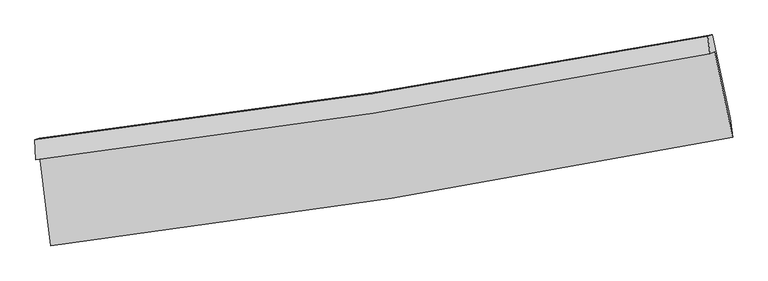
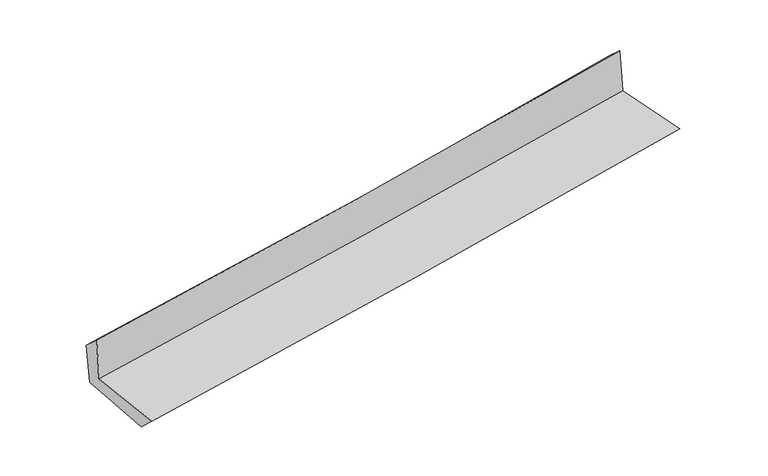
"""IFC4 building model written with IfcOpenShell, lengths in millimetres: proxy geometry."""

from ifc_helpers import new_model, si_unit, frame, origin, place, context, project, spatial, source, transform, mapped, element, save
from ifc_brep_helpers import plane_surface, spline_curve, spline_surface, advanced_brep


def generic_models_96c2f39b(model_context):
    return source(origin(), model_context, "Body", "AdvancedBrep", [
        advanced_brep(
        [(-2590.109953, -1876.3402449, 1673.3323361), (-2509.2730979, -2553.9867479, 1656.7176099), (2673.528004, -1730.4180061, 2101.8624172), (2537.6298882, -1081.5306246, 2112.0738355), (-2623.8992556, -1901.5365969, 2064.1480885), (2501.3628084, -1098.6621017, 2514.581143), (-2628.6411121, -1750.4266516, 1926.5333371), (2485.8678876, -964.3776807, 2389.0688667), (-2595.476326, -1739.9424587, 1560.6709438), (2519.2044009, -953.9634628, 2030.2896859), (-2514.1486631, -2396.8184787, 1512.9855616), (2655.2511419, -1586.6065601, 1984.450229)],
        [
            (0, 1),
            (1, 2, spline_curve(3, [(-2509.2730979, -2553.9867479, 1656.7176099), (-1643.421620274, -2451.891354816, 1749.951756093), (-779.53146739, -2332.400233976, 1833.604396072), (948.086048502, -2058.029416144, 1982.069772752), (1811.796262804, -1902.997623362, 2046.798735065), (2673.528004, -1730.4180061, 2101.8624172)], [4, 2, 4], [0.0, 8.574639564185912, 17.186682949297335])),
            (2, 3),
            (3, 0, spline_curve(3, [(2537.6298882, -1081.5306246, 2112.0738355), (1684.261277647, -1244.676548392, 2055.851917641), (829.331960548, -1392.594723648, 1991.081031882), (-879.928180862, -1657.39927678, 1844.759766657), (-1734.245477262, -1774.417641378, 1763.28348632), (-2590.109953, -1876.3402449, 1673.3323361)], [4, 2, 4], [0.0, 8.612043385111424, 17.186682949297335])),
            (4, 0),
            (3, 5),
            (5, 4, spline_curve(3, [(2501.3628084, -1098.6621017, 2514.581143), (1649.340760202, -1265.832942011, 2452.604794769), (795.290640138, -1416.434196929, 2383.984413644), (-913.147626121, -1683.915411412, 2233.782474905), (-1767.518193934, -1800.938987828, 2152.258504403), (-2623.8992556, -1901.5365969, 2064.1480885)], [4, 2, 4], [0.0, 8.56294623558764, 17.088701888955917])),
            (6, 4),
            (5, 7),
            (7, 6, spline_curve(3, [(2485.8678876, -964.3776807, 2389.0688667), (1635.632324732, -1123.530193679, 2314.181824517), (783.373496156, -1268.722773939, 2238.107211006), (-921.480373553, -1530.618099317, 2083.918408058), (-1774.057878492, -1647.441842838, 2005.814511297), (-2628.6411121, -1750.4266516, 1926.5333371)], [4, 2, 4], [0.0, 8.55243006967796, 17.067715230941126])),
            (8, 6),
            (7, 9),
            (9, 8, spline_curve(3, [(2519.2044009, -953.9634628, 2030.2896859), (1669.151930899, -1113.044540388, 1951.95244377), (816.970076905, -1258.195623739, 1873.563645167), (-887.941955121, -1520.067883714, 1717.023617728), (-1740.653676887, -1636.909798837, 1638.872835573), (-2595.476326, -1739.9424587, 1560.6709438)], [4, 2, 4], [0.0, 8.542791917140734, 17.048480786284166])),
            (10, 8),
            (9, 11),
            (11, 10, spline_curve(3, [(2655.2511419, -1586.6065601, 1984.450229), (1795.380587924, -1745.258938603, 1907.699854029), (933.720583334, -1892.224348864, 1829.948264962), (-789.42819525, -2162.1936911, 1672.784697759), (-1650.901458831, -2285.298920504, 1593.381397748), (-2514.1486631, -2396.8184787, 1512.9855616)], [4, 2, 4], [0.0, 8.590673677953845, 17.144036347879652])),
            (1, 10),
            (11, 2),
        ],
        [
            spline_surface(3, 3, [[(-2590.109953, -1876.3402449, 1673.3323361), (-1734.245477245, -1774.417641506, 1763.283486209), (-879.928180773, -1657.399276747, 1844.759766785), (829.331960458, -1392.594723681, 1991.081031754), (1684.261277685, -1244.676548364, 2055.851917603), (2537.6298882, -1081.5306246, 2112.0738355)], [(-2563.164334642, -2102.222412562, 1667.794094042), (-1703.970858291, -2000.24221259, 1758.839576188), (-846.46260961, -1882.399595777, 1841.041309897), (868.916656478, -1614.406287882, 1988.077278743), (1726.772939351, -1464.116906678, 2052.834190114), (2582.929260125, -1297.826418439, 2108.6700294)], [(-2536.218716258, -2328.104580238, 1662.255851958), (-1673.696239312, -2226.066783687, 1754.395666142), (-812.997038508, -2107.399914806, 1837.322853), (908.501352437, -1836.217852084, 1985.073525724), (1769.284601043, -1683.557264975, 2049.816462625), (2628.228632075, -1514.122212261, 2105.2662233)], [(-2509.2730979, -2553.9867479, 1656.7176099), (-1643.421620358, -2451.89135477, 1749.951756122), (-779.531467344, -2332.400233836, 1833.604396111), (948.086048457, -2058.029416285, 1982.069772714), (1811.796262709, -1902.99762329, 2046.798735136), (2673.528004, -1730.4180061, 2101.8624172)]], [4, 4], [4, 2, 4], [0.0, 2.228270245174385], [0.0, 8.574639564185912, 17.186682949297335]),
            spline_surface(3, 3, [[(-2623.8992556, -1901.5365969, 2064.1480885), (-1767.518194056, -1800.93898788, 2152.258504309), (-913.147626178, -1683.915411304, 2233.782474838), (795.290640196, -1416.434197037, 2383.984413712), (1649.340760344, -1265.83294187, 2452.60479471), (2501.3628084, -1098.6621017, 2514.581143)], [(-2612.636154744, -1893.13781291, 1933.876171018), (-1756.427288462, -1792.098539099, 2022.600164928), (-902.074477701, -1675.076699788, 2104.108238814), (806.637746959, -1408.487705921, 2253.01661972), (1660.98093281, -1258.780810695, 2320.353835692), (2513.45183502, -1092.951609327, 2380.412040518)], [(-2601.373053856, -1884.73902889, 1803.604253582), (-1745.336382838, -1783.258090287, 1892.94182559), (-891.001329251, -1666.237988264, 1974.434002809), (817.984853695, -1400.541214798, 2122.048825746), (1672.621105219, -1251.728679539, 2188.10287662), (2525.54086158, -1087.241116973, 2246.242937982)], [(-2590.109953, -1876.3402449, 1673.3323361), (-1734.245477245, -1774.417641506, 1763.283486209), (-879.928180773, -1657.399276747, 1844.759766785), (829.331960458, -1392.594723681, 1991.081031754), (1684.261277685, -1244.676548364, 2055.851917603), (2537.6298882, -1081.5306246, 2112.0738355)]], [4, 4], [4, 2, 4], [0.0, 1.2900981633718562], [0.0, 8.525755653368277, 17.088701888955917]),
            spline_surface(3, 3, [[(-2628.6411121, -1750.4266516, 1926.5333371), (-1774.057878548, -1647.441842762, 2005.814511312), (-921.480373681, -1530.618099345, 2083.918407958), (783.373496285, -1268.72277391, 2238.107211108), (1635.632324633, -1123.530193715, 2314.181824387), (2485.8678876, -964.3776807, 2389.0688667)], [(-2627.060493243, -1800.796633351, 1972.404920884), (-1771.877983694, -1698.607557786, 2054.629175629), (-918.702791195, -1581.717203328, 2133.87309691), (787.345877573, -1317.95991495, 2286.732945302), (1640.201803205, -1170.9644431, 2360.322814495), (2491.032861202, -1009.139154366, 2430.906292134)], [(-2625.479874457, -1851.166615149, 2018.276504716), (-1769.69808891, -1749.773272856, 2103.443839993), (-915.925208664, -1632.816307321, 2183.827785885), (791.318258907, -1367.197055998, 2335.358679518), (1644.771281772, -1218.398692486, 2406.463804601), (2496.197834798, -1053.900628034, 2472.743717566)], [(-2623.8992556, -1901.5365969, 2064.1480885), (-1767.518194056, -1800.93898788, 2152.258504309), (-913.147626178, -1683.915411304, 2233.782474838), (795.290640196, -1416.434197037, 2383.984413712), (1649.340760344, -1265.83294187, 2452.60479471), (2501.3628084, -1098.6621017, 2514.581143)]], [4, 4], [4, 2, 4], [0.0, 0.6929775608009696], [0.0, 8.515285161263165, 17.067715230941126]),
            spline_surface(3, 3, [[(-2595.476326, -1739.9424587, 1560.6709438), (-1740.653676843, -1636.909798827, 1638.872835441), (-887.941955173, -1520.06788368, 1717.023617668), (816.970076956, -1258.195623774, 1873.563645227), (1669.151930951, -1113.044540259, 1951.952443714), (2519.2044009, -953.9634628, 2030.2896859)], [(-2606.531254725, -1743.437189686, 1682.625074899), (-1751.788410769, -1640.420480158, 1761.186727397), (-899.121427999, -1523.584622239, 1839.321881104), (805.771216743, -1261.704673824, 1995.078167194), (1657.978728845, -1116.539758072, 2072.695570582), (2508.0922298, -957.434868761, 2149.882746143)], [(-2617.586183375, -1746.931920614, 1804.579206001), (-1762.923144622, -1643.931161431, 1883.500619356), (-910.300900855, -1527.101360785, 1961.620144521), (794.572356499, -1265.213723861, 2116.592689141), (1646.805526739, -1120.034975902, 2193.43869752), (2496.9800587, -960.906274739, 2269.475806457)], [(-2628.6411121, -1750.4266516, 1926.5333371), (-1774.057878548, -1647.441842762, 2005.814511312), (-921.480373681, -1530.618099345, 2083.918407958), (783.373496285, -1268.72277391, 2238.107211108), (1635.632324633, -1123.530193715, 2314.181824387), (2485.8678876, -964.3776807, 2389.0688667)]], [4, 4], [4, 2, 4], [0.0, 1.2053888415902585], [0.0, 8.505688869143432, 17.048480786284166]),
            spline_surface(3, 3, [[(-2514.1486631, -2396.8184787, 1512.9855616), (-1650.90145874, -2285.298920497, 1593.381397739), (-789.428195198, -2162.19369114, 1672.784697753), (933.720583283, -1892.224348824, 1829.948264968), (1795.380588038, -1745.258938633, 1907.699854041), (2655.2511419, -1586.6065601, 1984.450229)], [(-2541.257884056, -2177.85980536, 1528.880689028), (-1680.818864764, -2069.169213267, 1608.545210334), (-822.266115194, -1948.151755342, 1687.531004379), (894.803747837, -1680.881440496, 1844.486725042), (1753.304368985, -1534.520805842, 1922.450717263), (2609.902228209, -1375.725527667, 1999.730047964)], [(-2568.367105044, -1958.90113204, 1544.775816372), (-1710.736270818, -1853.039506057, 1623.709022846), (-855.104035177, -1734.109819478, 1702.277311042), (855.886912402, -1469.538532102, 1859.025185153), (1711.228150004, -1323.78267305, 1937.201580493), (2564.553314591, -1164.844495233, 2015.009866936)], [(-2595.476326, -1739.9424587, 1560.6709438), (-1740.653676843, -1636.909798827, 1638.872835441), (-887.941955173, -1520.06788368, 1717.023617668), (816.970076956, -1258.195623774, 1873.563645227), (1669.151930951, -1113.044540259, 1951.952443714), (2519.2044009, -953.9634628, 2030.2896859)]], [4, 4], [4, 2, 4], [0.0, 2.1278538352204253], [0.0, 8.553362669925807, 17.144036347879652]),
            spline_surface(3, 3, [[(-2509.2730979, -2553.9867479, 1656.7176099), (-1643.421620358, -2451.89135477, 1749.951756122), (-779.531467344, -2332.400233836, 1833.604396111), (948.086048457, -2058.029416285, 1982.069772714), (1811.796262709, -1902.99762329, 2046.798735136), (2673.528004, -1730.4180061, 2101.8624172)], [(-2510.898286291, -2501.59732483, 1608.806927129), (-1645.914899809, -2396.360543343, 1697.761636656), (-782.830376649, -2275.664719579, 1779.997830008), (943.297560045, -2002.76106044, 1931.362603481), (1806.324371163, -1850.418061744, 2000.432441445), (2667.435716645, -1682.480857439, 2062.725021141)], [(-2512.523474709, -2449.20790177, 1560.896244371), (-1648.408179289, -2340.829731924, 1645.571517205), (-786.129285893, -2218.929205397, 1726.391263856), (938.509071695, -1947.49270467, 1880.6554342), (1800.852479583, -1797.838500179, 1954.066147732), (2661.343429255, -1634.543708761, 2023.587625059)], [(-2514.1486631, -2396.8184787, 1512.9855616), (-1650.90145874, -2285.298920497, 1593.381397739), (-789.428195198, -2162.19369114, 1672.784697753), (933.720583283, -1892.224348824, 1829.948264968), (1795.380588038, -1745.258938633, 1907.699854041), (2655.2511419, -1586.6065601, 1984.450229)]], [4, 4], [4, 2, 4], [0.0, 0.7542164358438173], [0.0, 8.61171968474139, 17.26100493927001]),
            plane_surface(frame((2562.1406885, -1235.926406, 2188.7210295), z_axis=(0.9745073562773081, 0.20257605697870423, 0.09642797156620332), x_axis=(-0.09247938519548315, -0.02889025791294726, 0.9952953914851554))),
            plane_surface(frame((-2576.9247346, -2036.5085298, 1732.3979795), z_axis=(-0.9889258074856198, -0.11569033859631174, -0.09295963018636541), x_axis=(-0.11841569305822923, 0.9926657862303294, 0.024338456920299397))),
        ],
        [
            (0, [[1, 2, 3, 4]]),
            (1, [[5, -4, 6, 7]]),
            (2, [[8, -7, 9, 10]]),
            (3, [[11, -10, 12, 13]]),
            (4, [[14, -13, 15, 16]]),
            (5, [[17, -16, 18, -2]]),
            (6, [[-12, -9, -6, -3, -18, -15]]),
            (7, [[-1, -5, -8, -11, -14, -17]]),
        ],
    ),
    ])


if __name__ == "__main__":
    model = new_model("IFC4")
    model_context = context("Model", 3, world=origin())
    ifc_project = project(units=[si_unit("LENGTHUNIT", "METRE", prefix="MILLI")], contexts=[model_context])
    site = spatial("IfcSite", under=ifc_project)
    building = spatial("IfcBuilding", under=site)
    placement = place(None, origin())
    generic_models_shape = generic_models_96c2f39b(model_context)
    element("IfcBuildingElementProxy", 1, Name="Generic Models", at=placement, inside=building, context=model_context, shape_type="MappedRepresentation", body=[
        mapped(generic_models_shape, transform((0.0, 0.0, 0.0), x_axis=(1.0, 0.0, 0.0), y_axis=(0.0, 1.0, 0.0), z_axis=(0.0, 0.0, 1.0))),
    ])
    save(model, "model.ifc")
